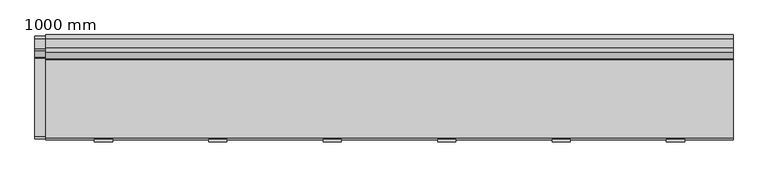
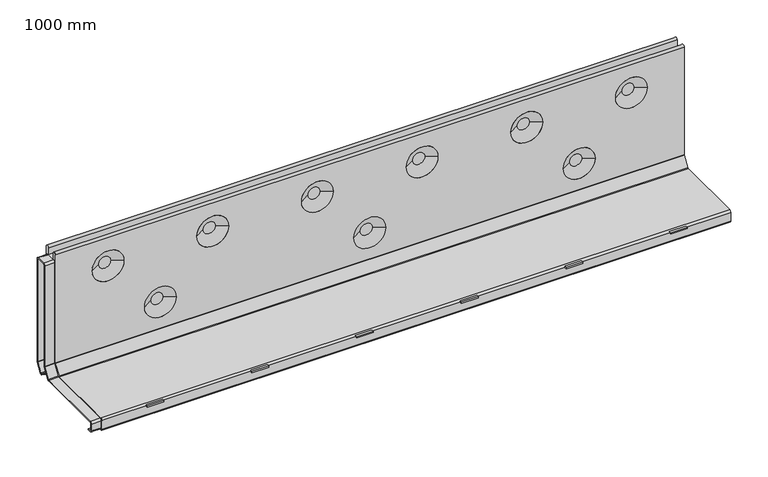
"""IFC4 building model written with IfcOpenShell, lengths in millimetres: proxy geometry, 1000 mm."""

import ifcopenshell
import ifcopenshell.guid

model = None  # the IFC model being written
_history = None  # IfcOwnerHistory: only IFC2X3 demands one
_inside = {}  # id of a spatial element -> (the spatial element, [elements in it])
_under = {}  # id of a project, library or spatial element -> (it, [spatial elements below it])
_declared = {}  # id of a project -> (the project, [libraries it declares])
_typed = {}  # id of a type object -> (the type object, [elements of that type])
_made_of = {}  # id of a material, layer set ... -> (it, [elements and type objects made of it])


def new_model(schema):
    """Start an empty IFC model of exactly this schema.

    Asked for "IFC4X3", IfcOpenShell would pick the latest addendum, in which some entities
    have other attributes; the version numbers below select the first issue.
    IFC2X3 requires an IfcOwnerHistory on every rooted entity: one is made here for all.
    """
    global model, _history
    if schema == "IFC4X3":
        model = ifcopenshell.file(schema_version=(4, 3, 0, 0))
    else:
        model = ifcopenshell.file(schema=schema)
    _inside.clear()
    _under.clear()
    _declared.clear()
    _typed.clear()
    _made_of.clear()
    _history = None
    if model.schema == "IFC2X3":
        org = make("IfcOrganization", Name="unknown")
        user = make(
            "IfcPersonAndOrganization",
            ThePerson=make("IfcPerson", FamilyName="unknown"),
            TheOrganization=org,
        )
        app = make(
            "IfcApplication",
            ApplicationDeveloper=org,
            Version="unknown",
            ApplicationFullName="unknown",
            ApplicationIdentifier="unknown",
        )
        _history = make(
            "IfcOwnerHistory",
            OwningUser=user,
            OwningApplication=app,
            ChangeAction="ADDED",
            CreationDate=0,
        )
    return model


def make(cls, **values):
    """One entity of the class cls with the attributes given. An attribute that is None is left unset."""
    return model.create_entity(
        cls, **{name: value for name, value in values.items() if value is not None}
    )


def rooted(cls, **values):
    """An entity with a GlobalId (a new one), such as an element, a storey or a relation."""
    return make(cls, GlobalId=ifcopenshell.guid.new(), OwnerHistory=_history, **values)


def si_unit(unit_type, name, prefix=None):
    """IfcSIUnit, for example si_unit("LENGTHUNIT", "METRE", prefix="MILLI")."""
    return make("IfcSIUnit", UnitType=unit_type, Prefix=prefix, Name=name)


def assignment(units):
    """IfcUnitAssignment: the units of a project."""
    return None if units is None else make("IfcUnitAssignment", Units=units)


def point(xyz):
    """IfcCartesianPoint."""
    return None if xyz is None else make("IfcCartesianPoint", Coordinates=xyz)


def direction(xyz):
    """IfcDirection."""
    return None if xyz is None else make("IfcDirection", DirectionRatios=xyz)


def frame(location, z_axis=None, x_axis=None):
    """IfcAxis2Placement3D, a coordinate frame: its origin and axes. An axis left out is left unset."""
    return make(
        "IfcAxis2Placement3D",
        Location=point(location),
        Axis=direction(z_axis),
        RefDirection=direction(x_axis),
    )


def frame_2d(location, x_axis=None):
    """IfcAxis2Placement2D, a coordinate frame in the plane: its origin and x axis."""
    return make(
        "IfcAxis2Placement2D", Location=point(location), RefDirection=direction(x_axis)
    )


def origin():
    """The frame at (0, 0, 0) with its axes left unset."""
    return frame((0.0, 0.0, 0.0))


def place(relative_to, where):
    """IfcLocalPlacement: puts the frame where relative to a parent placement (None: the world)."""
    return make(
        "IfcLocalPlacement", PlacementRelTo=relative_to, RelativePlacement=where
    )


def context(
    kind, dimensions, precision=None, world=None, true_north=None, identifier=None
):
    """IfcGeometricRepresentationContext, for example the 3D "Model" context."""
    return make(
        "IfcGeometricRepresentationContext",
        ContextIdentifier=identifier,
        ContextType=kind,
        CoordinateSpaceDimension=dimensions,
        Precision=precision,
        WorldCoordinateSystem=world,
        TrueNorth=true_north,
    )


def project(units=None, contexts=None):
    """IfcProject with its units and contexts."""
    return rooted(
        "IfcProject",
        Name="project",
        RepresentationContexts=contexts,
        UnitsInContext=assignment(units),
    )


def spatial(cls, under=None, at=None, **own):
    """A site, building, storey or space (cls), placed at a placement, below another one or the project."""
    s = rooted(cls, ObjectPlacement=at, **own)
    if under is not None:
        _under.setdefault(under.id(), (under, []))[1].append(s)
    return s


def polyline(points):
    """IfcPolyline through the points."""
    return make("IfcPolyline", Points=[point(p) for p in points])


def circle_curve(where, radius):
    """IfcCircle in the frame where."""
    return make("IfcCircle", Position=where, Radius=radius)


def trimmed(basis, trim1, trim2, sense, master):
    """IfcTrimmedCurve: the piece of a basis curve between two trims."""
    return make(
        "IfcTrimmedCurve",
        BasisCurve=basis,
        Trim1=trim1,
        Trim2=trim2,
        SenseAgreement=sense,
        MasterRepresentation=master,
    )


def segment(curve, same_sense, transition):
    """IfcCompositeCurveSegment."""
    return make(
        "IfcCompositeCurveSegment",
        Transition=transition,
        SameSense=same_sense,
        ParentCurve=curve,
    )


def composite_curve(segments, self_intersect=None):
    """IfcCompositeCurve: segments joined end to end."""
    return make("IfcCompositeCurve", Segments=segments, SelfIntersect=self_intersect)


def outline(outer, holes=None, kind="AREA"):
    """IfcArbitraryClosedProfileDef: a profile drawn as a closed curve; with holes, ...WithVoids."""
    if holes is None:
        return make("IfcArbitraryClosedProfileDef", ProfileType=kind, OuterCurve=outer)
    return make(
        "IfcArbitraryProfileDefWithVoids",
        ProfileType=kind,
        OuterCurve=outer,
        InnerCurves=holes,
    )


def extrude(swept, where, along, depth):
    """IfcExtrudedAreaSolid: the profile swept, set in the frame where, extruded along a direction by depth."""
    return make(
        "IfcExtrudedAreaSolid",
        SweptArea=swept,
        Position=where,
        ExtrudedDirection=direction(along),
        Depth=depth,
    )


def shape(context_of_items, identifier, shape_type, items):
    """IfcShapeRepresentation: the items that make up one representation, for example the "Body"."""
    return make(
        "IfcShapeRepresentation",
        ContextOfItems=context_of_items,
        RepresentationIdentifier=identifier,
        RepresentationType=shape_type,
        Items=items,
    )


def source(mapping_origin, context_of_items, identifier, shape_type, items):
    """IfcRepresentationMap: a shape defined once, which mapped items show again and again."""
    return make(
        "IfcRepresentationMap",
        MappingOrigin=mapping_origin,
        MappedRepresentation=shape(context_of_items, identifier, shape_type, items),
    )


def transform(
    local_origin,
    x_axis=None,
    y_axis=None,
    z_axis=None,
    scale=None,
    scale2=None,
    scale3=None,
    uniform=True,
):
    """IfcCartesianTransformationOperator3D, or its non-uniform kind. x_axis, y_axis, z_axis: its Axis1, 2, 3."""
    if uniform:
        return make(
            "IfcCartesianTransformationOperator3D",
            Axis1=direction(x_axis),
            Axis2=direction(y_axis),
            LocalOrigin=point(local_origin),
            Scale=scale,
            Axis3=direction(z_axis),
        )
    return make(
        "IfcCartesianTransformationOperator3DnonUniform",
        Axis1=direction(x_axis),
        Axis2=direction(y_axis),
        LocalOrigin=point(local_origin),
        Scale=scale,
        Axis3=direction(z_axis),
        Scale2=scale2,
        Scale3=scale3,
    )


def mapped(mapping_source, mapping_target):
    """IfcMappedItem: shows the shape of a source again, moved by a transform."""
    return make(
        "IfcMappedItem", MappingSource=mapping_source, MappingTarget=mapping_target
    )


def made_of(thing, what):
    """Note that an element or type object is made of a material, layer set ...; save() writes the relation."""
    if what is not None:
        _made_of.setdefault(what.id(), (what, []))[1].append(thing)
    return thing


def element(
    cls,
    number,
    at=None,
    inside=None,
    cuts=None,
    type_object=None,
    material=None,
    context=None,
    identifier="Body",
    shape_type=None,
    held_by="IfcProductDefinitionShape",
    body=None,
    shapes=None,
    **own,
):
    """One element of the class cls, such as IfcWall. Its Tag is "e" and its number.

    at: its placement. inside: the storey or other place that contains it. cuts: it is an
    opening in that element (IfcRelVoidsElement). A single representation is given by context,
    identifier, shape_type and body (its items); several are given by shapes. held_by: the class
    of the entity that holds the representations. save() writes the other relations.
    """
    e = rooted(cls, Tag="e%d" % number, ObjectPlacement=at, **own)
    if body is not None:
        shapes = [shape(context, identifier, shape_type, body)]
    if shapes is not None:
        e.Representation = make(held_by, Representations=shapes)
    if inside is not None:
        _inside.setdefault(inside.id(), (inside, []))[1].append(e)
    if cuts is not None:
        rooted(
            "IfcRelVoidsElement", RelatingBuildingElement=cuts, RelatedOpeningElement=e
        )
    if type_object is not None:
        _typed.setdefault(type_object.id(), (type_object, []))[1].append(e)
    return made_of(e, material)


def aggregate(whole, parts):
    """IfcRelAggregates: a whole, such as a stair, and the parts it consists of."""
    return rooted("IfcRelAggregates", RelatingObject=whole, RelatedObjects=parts)


def save(model, path):
    """Write the relations noted so far, then the file.

    IfcRelAggregates (storeys below a building ...), IfcRelContainedInSpatialStructure (elements
    in a storey), IfcRelDefinesByType, IfcRelAssociatesMaterial and IfcRelDeclares: one each for
    every whole, place, type object, material and project.
    """
    for whole, parts in _under.values():
        aggregate(whole, parts)
    for where, things in _inside.values():
        rooted(
            "IfcRelContainedInSpatialStructure",
            RelatedElements=things,
            RelatingStructure=where,
        )
    for kind, things in _typed.values():
        rooted("IfcRelDefinesByType", RelatedObjects=things, RelatingType=kind)
    for what, things in _made_of.values():
        rooted("IfcRelAssociatesMaterial", RelatedObjects=things, RelatingMaterial=what)
    for by, libraries in _declared.values():
        rooted("IfcRelDeclares", RelatingContext=by, RelatedDefinitions=libraries)
    model.write(path)


def plane_surface(at):
    """IfcPlane: the flat surface through the origin of the frame at, square to its z axis."""
    return make("IfcPlane", Position=at)


def cylinder_surface(at, radius):
    """IfcCylindricalSurface: all points at the distance radius from the z axis of the frame at."""
    return make("IfcCylindricalSurface", Position=at, Radius=radius)


def revolved_surface(curve, axis_point, axis_direction):
    """IfcSurfaceOfRevolution: the curve turned about the line through axis_point along axis_direction."""
    return make(
        "IfcSurfaceOfRevolution",
        SweptCurve=make("IfcArbitraryOpenProfileDef", ProfileType="CURVE", Curve=curve),
        AxisPosition=make("IfcAxis1Placement", Location=point(axis_point), Axis=direction(axis_direction)),
    )


def advanced_brep(points, edges, surfaces, faces):
    """IfcAdvancedBrep: a solid bounded by faces that lie on surfaces and meet in shared edges.

    An edge is (start, end): straight between two places in points (the first is 0);
    or (start, end, curve); or (start, end, curve, False) where it runs against its curve.
    A face is (place in surfaces, loops), or (place, loops, False) where it looks against
    its surface's normal. A loop lists edges by number (the first is 1), with a minus sign
    where the edge is run from its end to its start. The first loop is the outer one.
    """
    corners = [point(p) for p in points]
    vertices = [make("IfcVertexPoint", VertexGeometry=c) for c in corners]
    made = []
    for start, end, *more in edges:
        made.append(
            make(
                "IfcEdgeCurve",
                EdgeStart=vertices[start],
                EdgeEnd=vertices[end],
                EdgeGeometry=more[0] if more else make("IfcPolyline", Points=[corners[start], corners[end]]),
                SameSense=more[1] if len(more) > 1 else True,
            )
        )
    hull = []
    for where, loops, *sense in faces:
        bounds = []
        for j, loop in enumerate(loops):
            ring = [make("IfcOrientedEdge", EdgeElement=made[abs(k) - 1], Orientation=k > 0) for k in loop]
            bounds.append(
                make(
                    "IfcFaceOuterBound" if j == 0 else "IfcFaceBound",
                    Bound=make("IfcEdgeLoop", EdgeList=ring),
                    Orientation=True,
                )
            )
        hull.append(make("IfcAdvancedFace", Bounds=bounds, FaceSurface=surfaces[where], SameSense=sense[0] if sense else True))
    return make("IfcAdvancedBrep", Outer=make("IfcClosedShell", CfsFaces=hull))


def proxy_1000_mm_fd89eb63(model_context):
    return source(origin(), model_context, "Body", "SolidModel", [
        extrude(outline(polyline([(734.75, -52.0), (732.75, -52.0), (732.75, 44.0), (734.75, 44.0), (734.75, -52.0)])), frame((0.0, 0.0, -29.1940506), z_axis=(0.0, 0.0, 1.0), x_axis=(1.0, 0.0, 0.0)), (0.0, 0.0, 1.0), 10.1940506),
        extrude(outline(polyline([(766.75, -52.0), (764.75, -52.0), (764.75, 44.0), (766.75, 44.0), (766.75, -52.0)])), frame((0.0, 0.0, -29.1940506), z_axis=(0.0, 0.0, 1.0), x_axis=(1.0, 0.0, 0.0)), (0.0, 0.0, 1.0), 10.1940506),
        extrude(outline(polyline([(763.0, -78.0), (736.5, -78.0), (736.5, -70.5), (763.0, -70.5), (763.0, -78.0)])), frame((0.0, 0.0, -3.6940506), z_axis=(0.0, 0.0, 1.0), x_axis=(1.0, 0.0, 0.0)), (0.0, 0.0, 1.0), 2.1940506),
        extrude(outline(polyline([(568.25, -52.0), (566.25, -52.0), (566.25, 44.0), (568.25, 44.0), (568.25, -52.0)])), frame((0.0, 0.0, -29.1940506), z_axis=(0.0, 0.0, 1.0), x_axis=(1.0, 0.0, 0.0)), (0.0, 0.0, 1.0), 10.1940506),
        extrude(outline(polyline([(600.25, -52.0), (598.25, -52.0), (598.25, 44.0), (600.25, 44.0), (600.25, -52.0)])), frame((0.0, 0.0, -29.1940506), z_axis=(0.0, 0.0, 1.0), x_axis=(1.0, 0.0, 0.0)), (0.0, 0.0, 1.0), 10.1940506),
        extrude(outline(polyline([(596.5, -78.0), (570.0, -78.0), (570.0, -70.5), (596.5, -70.5), (596.5, -78.0)])), frame((0.0, 0.0, -3.6940506), z_axis=(0.0, 0.0, 1.0), x_axis=(1.0, 0.0, 0.0)), (0.0, 0.0, 1.0), 2.1940506),
        extrude(outline(polyline([(401.75, -52.0), (399.75, -52.0), (399.75, 44.0), (401.75, 44.0), (401.75, -52.0)])), frame((0.0, 0.0, -29.1940506), z_axis=(0.0, 0.0, 1.0), x_axis=(1.0, 0.0, 0.0)), (0.0, 0.0, 1.0), 10.1940506),
        extrude(outline(polyline([(433.75, -52.0), (431.75, -52.0), (431.75, 44.0), (433.75, 44.0), (433.75, -52.0)])), frame((0.0, 0.0, -29.1940506), z_axis=(0.0, 0.0, 1.0), x_axis=(1.0, 0.0, 0.0)), (0.0, 0.0, 1.0), 10.1940506),
        extrude(outline(polyline([(430.0, -78.0), (403.5, -78.0), (403.5, -70.5), (430.0, -70.5), (430.0, -78.0)])), frame((0.0, 0.0, -3.6940506), z_axis=(0.0, 0.0, 1.0), x_axis=(1.0, 0.0, 0.0)), (0.0, 0.0, 1.0), 2.1940506),
        extrude(outline(polyline([(235.25, -52.0), (233.25, -52.0), (233.25, 44.0), (235.25, 44.0), (235.25, -52.0)])), frame((0.0, 0.0, -29.1940506), z_axis=(0.0, 0.0, 1.0), x_axis=(1.0, 0.0, 0.0)), (0.0, 0.0, 1.0), 10.1940506),
        extrude(outline(polyline([(267.25, -52.0), (265.25, -52.0), (265.25, 44.0), (267.25, 44.0), (267.25, -52.0)])), frame((0.0, 0.0, -29.1940506), z_axis=(0.0, 0.0, 1.0), x_axis=(1.0, 0.0, 0.0)), (0.0, 0.0, 1.0), 10.1940506),
        extrude(outline(polyline([(263.5, -78.0), (237.0, -78.0), (237.0, -70.5), (263.5, -70.5), (263.5, -78.0)])), frame((0.0, 0.0, -3.6940506), z_axis=(0.0, 0.0, 1.0), x_axis=(1.0, 0.0, 0.0)), (0.0, 0.0, 1.0), 2.1940506),
        extrude(outline(polyline([(901.25, -52.0), (899.25, -52.0), (899.25, 44.0), (901.25, 44.0), (901.25, -52.0)])), frame((0.0, 0.0, -29.1940506), z_axis=(0.0, 0.0, 1.0), x_axis=(1.0, 0.0, 0.0)), (0.0, 0.0, 1.0), 10.1940506),
        extrude(outline(polyline([(933.25, -52.0), (931.25, -52.0), (931.25, 44.0), (933.25, 44.0), (933.25, -52.0)])), frame((0.0, 0.0, -29.1940506), z_axis=(0.0, 0.0, 1.0), x_axis=(1.0, 0.0, 0.0)), (0.0, 0.0, 1.0), 10.1940506),
        extrude(outline(polyline([(929.5, -78.0), (903.0, -78.0), (903.0, -70.5), (929.5, -70.5), (929.5, -78.0)])), frame((0.0, 0.0, -3.6940506), z_axis=(0.0, 0.0, 1.0), x_axis=(1.0, 0.0, 0.0)), (0.0, 0.0, 1.0), 2.1940506),
        extrude(outline(polyline([(68.75, -52.0), (66.75, -52.0), (66.75, 44.0), (68.75, 44.0), (68.75, -52.0)])), frame((0.0, 0.0, -29.1940506), z_axis=(0.0, 0.0, 1.0), x_axis=(1.0, 0.0, 0.0)), (0.0, 0.0, 1.0), 10.1940506),
        extrude(outline(polyline([(100.75, -52.0), (98.75, -52.0), (98.75, 44.0), (100.75, 44.0), (100.75, -52.0)])), frame((0.0, 0.0, -29.1940506), z_axis=(0.0, 0.0, 1.0), x_axis=(1.0, 0.0, 0.0)), (0.0, 0.0, 1.0), 10.1940506),
        extrude(outline(polyline([(97.0, -78.0), (70.5, -78.0), (70.5, -70.5), (97.0, -70.5), (97.0, -78.0)])), frame((0.0, 0.0, -3.6940506), z_axis=(0.0, 0.0, 1.0), x_axis=(1.0, 0.0, 0.0)), (0.0, 0.0, 1.0), 2.1940506),
        advanced_brep(
        [(0.0, -58.5, -20.5), (0.0, -72.0, -20.5), (0.0, -75.0, -17.5), (0.0, -75.0, -3.0), (0.0, -72.0, 0.0), (0.0, 41.8362991, 0.0), (0.0, 43.1013863, 0.6940506), (0.0, 52.8400872, 15.9807489), (0.0, 53.075, 16.7866983), (0.0, 53.075, 197.745), (0.0, 58.585, 197.745), (0.0, 58.585, 187.2976287), (0.0, 72.565, 187.2976287), (0.0, 72.565, 198.2430156), (0.0, 78.0, 198.2430156), (0.0, 78.0, 12.5524398), (0.0, 77.5301743, 10.940541), (0.0, 67.2913074, -5.1312607), (0.0, 67.0563946, -5.9372101), (0.0, 67.0563946, -17.5), (0.0, 64.0563946, -20.5), (0.0, 50.0563946, -20.5), (0.0, 50.0563946, -19.0), (0.0, -58.5, -19.0), (1000.0, -58.5, -20.5), (1000.0, -58.5, -19.0), (1000.0, 50.0563946, -19.0), (1000.0, 50.0563946, -20.5), (1000.0, 64.0563946, -20.5), (1000.0, 67.0563946, -17.5), (1000.0, 67.0563946, -5.9372101), (1000.0, 67.2913074, -5.1312607), (1000.0, 77.5301743, 10.940541), (1000.0, 78.0, 12.5524398), (1000.0, 78.0, 198.2430156), (1000.0, 72.565, 198.2430156), (1000.0, 72.565, 187.2976287), (1000.0, 58.585, 187.2976287), (1000.0, 58.585, 197.745), (1000.0, 53.075, 197.745), (1000.0, 53.075, 16.7866983), (1000.0, 52.8400872, 15.9807489), (1000.0, 43.1013863, 0.6940506), (1000.0, 41.8362991, 0.0), (1000.0, -72.0, 0.0), (1000.0, -75.0, -3.0), (1000.0, -75.0, -17.5), (1000.0, -72.0, -20.5), (58.4993164, 78.0, 150.4470549), (109.0006836, 78.0, 150.4470549), (890.9993164, 78.0, 150.4470549), (941.5006836, 78.0, 150.4470549), (224.9993164, 78.0, 150.4470549), (275.5006836, 78.0, 150.4470549), (391.4993164, 78.0, 150.4470549), (442.0006836, 78.0, 150.4470549), (557.9993164, 78.0, 150.4470549), (608.5006836, 78.0, 150.4470549), (724.4993164, 78.0, 150.4470549), (775.0006836, 78.0, 150.4470549), (141.7493164, 78.0, 60.4470549), (192.2506836, 78.0, 60.4470549), (474.7493164, 78.0, 60.4470549), (525.2506836, 78.0, 60.4470549), (858.2506836, 78.0, 60.4470549), (807.7493164, 78.0, 60.4470549), (109.0006836, 53.075, 150.4470549), (58.4993164, 53.075, 150.4470549), (941.5006836, 53.075, 150.4470549), (890.9993164, 53.075, 150.4470549), (275.5006836, 53.075, 150.4470549), (224.9993164, 53.075, 150.4470549), (442.0006836, 53.075, 150.4470549), (391.4993164, 53.075, 150.4470549), (608.5006836, 53.075, 150.4470549), (557.9993164, 53.075, 150.4470549), (775.0006836, 53.075, 150.4470549), (724.4993164, 53.075, 150.4470549), (192.2506836, 53.075, 60.4470549), (141.7493164, 53.075, 60.4470549), (525.2506836, 53.075, 60.4470549), (474.7493164, 53.075, 60.4470549), (807.7493164, 53.075, 60.4470549), (858.2506836, 53.075, 60.4470549), (74.1699511, 62.6922432, 150.4470549), (93.3300489, 62.6922432, 150.4470549), (906.6699511, 62.6922432, 150.4470549), (925.8300489, 62.6922432, 150.4470549), (240.6699511, 62.6922432, 150.4470549), (259.8300489, 62.6922432, 150.4470549), (407.1699511, 62.6922432, 150.4470549), (426.3300489, 62.6922432, 150.4470549), (573.6699511, 62.6922432, 150.4470549), (592.8300489, 62.6922432, 150.4470549), (740.1699511, 62.6922432, 150.4470549), (759.3300489, 62.6922432, 150.4470549), (74.1699511, 68.3827568, 150.4470549), (93.3300489, 68.3827568, 150.4470549), (906.6699511, 68.3827568, 150.4470549), (925.8300489, 68.3827568, 150.4470549), (240.6699511, 68.3827568, 150.4470549), (259.8300489, 68.3827568, 150.4470549), (407.1699511, 68.3827568, 150.4470549), (426.3300489, 68.3827568, 150.4470549), (573.6699511, 68.3827568, 150.4470549), (592.8300489, 68.3827568, 150.4470549), (740.1699511, 68.3827568, 150.4470549), (759.3300489, 68.3827568, 150.4470549), (157.4199511, 62.6922432, 60.4470549), (176.5800489, 62.6922432, 60.4470549), (157.4199511, 68.3827568, 60.4470549), (176.5800489, 68.3827568, 60.4470549), (490.4199511, 62.6922432, 60.4470549), (509.5800489, 62.6922432, 60.4470549), (490.4199511, 68.3827568, 60.4470549), (509.5800489, 68.3827568, 60.4470549), (823.4199511, 62.6922432, 60.4470549), (842.5800489, 62.6922432, 60.4470549), (823.4199511, 68.3827568, 60.4470549), (842.5800489, 68.3827568, 60.4470549)],
        [
            (0, 1),
            (1, 2, circle_curve(frame((0.0, -72.0, -17.5), z_axis=(-1.0, 0.0, 0.0), x_axis=(0.0, 1.0, 0.0)), 3.0)),
            (2, 3),
            (3, 4, circle_curve(frame((0.0, -72.0, -3.0), z_axis=(-1.0, 0.0, 0.0), x_axis=(0.0, 1.0, 0.0)), 3.0)),
            (4, 5),
            (5, 6, circle_curve(frame((0.0, 41.8362991, 1.5), z_axis=(1.0, 0.0, 0.0), x_axis=(0.0, 1.0, 0.0)), 1.5)),
            (6, 7),
            (7, 8, circle_curve(frame((0.0, 51.575, 16.7866983), z_axis=(1.0, 0.0, 0.0), x_axis=(0.0, 1.0, 0.0)), 1.5)),
            (8, 9),
            (9, 10, circle_curve(frame((0.0, 55.83, 197.745), z_axis=(-1.0, 0.0, 0.0), x_axis=(0.0, 1.0, 0.0)), 2.755)),
            (10, 11),
            (11, 12),
            (12, 13),
            (13, 14, circle_curve(frame((0.0, 75.2825, 198.2430156), z_axis=(-1.0, 0.0, 0.0), x_axis=(0.0, 1.0, 0.0)), 2.7175)),
            (14, 15),
            (15, 16, circle_curve(frame((0.0, 75.0, 12.5524398), z_axis=(-1.0, 0.0, 0.0), x_axis=(0.0, 1.0, 0.0)), 3.0)),
            (16, 17),
            (17, 18, circle_curve(frame((0.0, 68.5563946, -5.9372101), z_axis=(1.0, 0.0, 0.0), x_axis=(0.0, 1.0, 0.0)), 1.5)),
            (18, 19),
            (19, 20, circle_curve(frame((0.0, 64.0563946, -17.5), z_axis=(-1.0, 0.0, 0.0), x_axis=(0.0, 1.0, 0.0)), 3.0)),
            (20, 21),
            (21, 22),
            (22, 23),
            (23, 0),
            (24, 25),
            (25, 26),
            (26, 27),
            (27, 28),
            (28, 29, circle_curve(frame((1000.0, 64.0563946, -17.5), z_axis=(1.0, 0.0, 0.0), x_axis=(0.0, 1.0, 0.0)), 3.0)),
            (29, 30),
            (30, 31, circle_curve(frame((1000.0, 68.5563946, -5.9372101), z_axis=(-1.0, 0.0, 0.0), x_axis=(0.0, 1.0, 0.0)), 1.5)),
            (31, 32),
            (32, 33, circle_curve(frame((1000.0, 75.0, 12.5524398), z_axis=(1.0, 0.0, 0.0), x_axis=(0.0, 1.0, 0.0)), 3.0)),
            (33, 34),
            (34, 35, circle_curve(frame((1000.0, 75.2825, 198.2430156), z_axis=(1.0, 0.0, 0.0), x_axis=(0.0, 1.0, 0.0)), 2.7175)),
            (35, 36),
            (36, 37),
            (37, 38),
            (38, 39, circle_curve(frame((1000.0, 55.83, 197.745), z_axis=(1.0, 0.0, 0.0), x_axis=(0.0, 1.0, 0.0)), 2.755)),
            (39, 40),
            (40, 41, circle_curve(frame((1000.0, 51.575, 16.7866983), z_axis=(-1.0, 0.0, 0.0), x_axis=(0.0, 1.0, 0.0)), 1.5)),
            (41, 42),
            (42, 43, circle_curve(frame((1000.0, 41.8362991, 1.5), z_axis=(-1.0, 0.0, 0.0), x_axis=(0.0, 1.0, 0.0)), 1.5)),
            (43, 44),
            (44, 45, circle_curve(frame((1000.0, -72.0, -3.0), z_axis=(1.0, 0.0, 0.0), x_axis=(0.0, 1.0, 0.0)), 3.0)),
            (45, 46),
            (46, 47, circle_curve(frame((1000.0, -72.0, -17.5), z_axis=(1.0, 0.0, 0.0), x_axis=(0.0, 1.0, 0.0)), 3.0)),
            (47, 24),
            (21, 27),
            (26, 22),
            (20, 28),
            (19, 29),
            (18, 30),
            (17, 31),
            (16, 32),
            (15, 33),
            (14, 34),
            (48, 49, circle_curve(frame((83.75, 78.0, 150.4470549), z_axis=(0.0, -1.0, 0.0), x_axis=(1.0, 0.0, 0.0)), 25.2506836)),
            (49, 48, circle_curve(frame((83.75, 78.0, 150.4470549), z_axis=(0.0, -1.0, 0.0), x_axis=(-1.0, 0.0, 0.0)), 25.2506836)),
            (50, 51, circle_curve(frame((916.25, 78.0, 150.4470549), z_axis=(0.0, -1.0, 0.0), x_axis=(1.0, 0.0, 0.0)), 25.2506836)),
            (51, 50, circle_curve(frame((916.25, 78.0, 150.4470549), z_axis=(0.0, -1.0, 0.0), x_axis=(-1.0, 0.0, 0.0)), 25.2506836)),
            (52, 53, circle_curve(frame((250.25, 78.0, 150.4470549), z_axis=(0.0, -1.0, 0.0), x_axis=(1.0, 0.0, 0.0)), 25.2506836)),
            (53, 52, circle_curve(frame((250.25, 78.0, 150.4470549), z_axis=(0.0, -1.0, 0.0), x_axis=(-1.0, 0.0, 0.0)), 25.2506836)),
            (54, 55, circle_curve(frame((416.75, 78.0, 150.4470549), z_axis=(0.0, -1.0, 0.0), x_axis=(1.0, 0.0, 0.0)), 25.2506836)),
            (55, 54, circle_curve(frame((416.75, 78.0, 150.4470549), z_axis=(0.0, -1.0, 0.0), x_axis=(-1.0, 0.0, 0.0)), 25.2506836)),
            (56, 57, circle_curve(frame((583.25, 78.0, 150.4470549), z_axis=(0.0, -1.0, 0.0), x_axis=(1.0, 0.0, 0.0)), 25.2506836)),
            (57, 56, circle_curve(frame((583.25, 78.0, 150.4470549), z_axis=(0.0, -1.0, 0.0), x_axis=(-1.0, 0.0, 0.0)), 25.2506836)),
            (58, 59, circle_curve(frame((749.75, 78.0, 150.4470549), z_axis=(0.0, -1.0, 0.0), x_axis=(1.0, 0.0, 0.0)), 25.2506836)),
            (59, 58, circle_curve(frame((749.75, 78.0, 150.4470549), z_axis=(0.0, -1.0, 0.0), x_axis=(-1.0, 0.0, 0.0)), 25.2506836)),
            (60, 61, circle_curve(frame((167.0, 78.0, 60.4470549), z_axis=(0.0, -1.0, 0.0), x_axis=(1.0, 0.0, 0.0)), 25.2506836)),
            (61, 60, circle_curve(frame((167.0, 78.0, 60.4470549), z_axis=(0.0, -1.0, 0.0), x_axis=(-1.0, 0.0, 0.0)), 25.2506836)),
            (62, 63, circle_curve(frame((500.0, 78.0, 60.4470549), z_axis=(0.0, -1.0, 0.0), x_axis=(1.0, 0.0, 0.0)), 25.2506836)),
            (63, 62, circle_curve(frame((500.0, 78.0, 60.4470549), z_axis=(0.0, -1.0, 0.0), x_axis=(-1.0, 0.0, 0.0)), 25.2506836)),
            (64, 65, circle_curve(frame((833.0, 78.0, 60.4470549), z_axis=(0.0, -1.0, 0.0), x_axis=(-1.0, 0.0, 0.0)), 25.2506836)),
            (65, 64, circle_curve(frame((833.0, 78.0, 60.4470549), z_axis=(0.0, -1.0, 0.0), x_axis=(1.0, 0.0, 0.0)), 25.2506836)),
            (13, 35),
            (12, 36),
            (11, 37),
            (8, 40),
            (39, 9),
            (66, 67, circle_curve(frame((83.75, 53.075, 150.4470549), z_axis=(0.0, 1.0, 0.0), x_axis=(-1.0, 0.0, 0.0)), 25.2506836)),
            (67, 66, circle_curve(frame((83.75, 53.075, 150.4470549), z_axis=(0.0, 1.0, 0.0), x_axis=(1.0, 0.0, 0.0)), 25.2506836)),
            (68, 69, circle_curve(frame((916.25, 53.075, 150.4470549), z_axis=(0.0, 1.0, 0.0), x_axis=(-1.0, 0.0, 0.0)), 25.2506836)),
            (69, 68, circle_curve(frame((916.25, 53.075, 150.4470549), z_axis=(0.0, 1.0, 0.0), x_axis=(1.0, 0.0, 0.0)), 25.2506836)),
            (70, 71, circle_curve(frame((250.25, 53.075, 150.4470549), z_axis=(0.0, 1.0, 0.0), x_axis=(-1.0, 0.0, 0.0)), 25.2506836)),
            (71, 70, circle_curve(frame((250.25, 53.075, 150.4470549), z_axis=(0.0, 1.0, 0.0), x_axis=(1.0, 0.0, 0.0)), 25.2506836)),
            (72, 73, circle_curve(frame((416.75, 53.075, 150.4470549), z_axis=(0.0, 1.0, 0.0), x_axis=(-1.0, 0.0, 0.0)), 25.2506836)),
            (73, 72, circle_curve(frame((416.75, 53.075, 150.4470549), z_axis=(0.0, 1.0, 0.0), x_axis=(1.0, 0.0, 0.0)), 25.2506836)),
            (74, 75, circle_curve(frame((583.25, 53.075, 150.4470549), z_axis=(0.0, 1.0, 0.0), x_axis=(-1.0, 0.0, 0.0)), 25.2506836)),
            (75, 74, circle_curve(frame((583.25, 53.075, 150.4470549), z_axis=(0.0, 1.0, 0.0), x_axis=(1.0, 0.0, 0.0)), 25.2506836)),
            (76, 77, circle_curve(frame((749.75, 53.075, 150.4470549), z_axis=(0.0, 1.0, 0.0), x_axis=(-1.0, 0.0, 0.0)), 25.2506836)),
            (77, 76, circle_curve(frame((749.75, 53.075, 150.4470549), z_axis=(0.0, 1.0, 0.0), x_axis=(1.0, 0.0, 0.0)), 25.2506836)),
            (78, 79, circle_curve(frame((167.0, 53.075, 60.4470549), z_axis=(0.0, 1.0, 0.0), x_axis=(-1.0, 0.0, 0.0)), 25.2506836)),
            (79, 78, circle_curve(frame((167.0, 53.075, 60.4470549), z_axis=(0.0, 1.0, 0.0), x_axis=(1.0, 0.0, 0.0)), 25.2506836)),
            (80, 81, circle_curve(frame((500.0, 53.075, 60.4470549), z_axis=(0.0, 1.0, 0.0), x_axis=(-1.0, 0.0, 0.0)), 25.2506836)),
            (81, 80, circle_curve(frame((500.0, 53.075, 60.4470549), z_axis=(0.0, 1.0, 0.0), x_axis=(1.0, 0.0, 0.0)), 25.2506836)),
            (82, 83, circle_curve(frame((833.0, 53.075, 60.4470549), z_axis=(0.0, 1.0, 0.0), x_axis=(1.0, 0.0, 0.0)), 25.2506836)),
            (83, 82, circle_curve(frame((833.0, 53.075, 60.4470549), z_axis=(0.0, 1.0, 0.0), x_axis=(-1.0, 0.0, 0.0)), 25.2506836)),
            (7, 41),
            (6, 42),
            (5, 43),
            (4, 44),
            (3, 45),
            (2, 46),
            (1, 47),
            (0, 24),
            (23, 25),
            (84, 85, circle_curve(frame((83.75, 62.6922432, 150.4470549), z_axis=(0.0, -1.0, 0.0), x_axis=(-1.0, 0.0, 0.0)), 9.5800489)),
            (85, 84, circle_curve(frame((83.75, 62.6922432, 150.4470549), z_axis=(0.0, -1.0, 0.0), x_axis=(1.0, 0.0, 0.0)), 9.5800489)),
            (84, 67),
            (66, 85),
            (86, 87, circle_curve(frame((916.25, 62.6922432, 150.4470549), z_axis=(0.0, -1.0, 0.0), x_axis=(-1.0, 0.0, 0.0)), 9.5800489)),
            (87, 86, circle_curve(frame((916.25, 62.6922432, 150.4470549), z_axis=(0.0, -1.0, 0.0), x_axis=(1.0, 0.0, 0.0)), 9.5800489)),
            (86, 69),
            (68, 87),
            (88, 89, circle_curve(frame((250.25, 62.6922432, 150.4470549), z_axis=(0.0, -1.0, 0.0), x_axis=(-1.0, 0.0, 0.0)), 9.5800489)),
            (89, 88, circle_curve(frame((250.25, 62.6922432, 150.4470549), z_axis=(0.0, -1.0, 0.0), x_axis=(1.0, 0.0, 0.0)), 9.5800489)),
            (88, 71),
            (70, 89),
            (90, 91, circle_curve(frame((416.75, 62.6922432, 150.4470549), z_axis=(0.0, -1.0, 0.0), x_axis=(-1.0, 0.0, 0.0)), 9.5800489)),
            (91, 90, circle_curve(frame((416.75, 62.6922432, 150.4470549), z_axis=(0.0, -1.0, 0.0), x_axis=(1.0, 0.0, 0.0)), 9.5800489)),
            (90, 73),
            (72, 91),
            (92, 93, circle_curve(frame((583.25, 62.6922432, 150.4470549), z_axis=(0.0, -1.0, 0.0), x_axis=(-1.0, 0.0, 0.0)), 9.5800489)),
            (93, 92, circle_curve(frame((583.25, 62.6922432, 150.4470549), z_axis=(0.0, -1.0, 0.0), x_axis=(1.0, 0.0, 0.0)), 9.5800489)),
            (92, 75),
            (74, 93),
            (94, 95, circle_curve(frame((749.75, 62.6922432, 150.4470549), z_axis=(0.0, -1.0, 0.0), x_axis=(-1.0, 0.0, 0.0)), 9.5800489)),
            (95, 94, circle_curve(frame((749.75, 62.6922432, 150.4470549), z_axis=(0.0, -1.0, 0.0), x_axis=(1.0, 0.0, 0.0)), 9.5800489)),
            (94, 77),
            (76, 95),
            (96, 97, circle_curve(frame((83.75, 68.3827568, 150.4470549), z_axis=(0.0, 1.0, 0.0), x_axis=(-1.0, 0.0, 0.0)), 9.5800489)),
            (97, 96, circle_curve(frame((83.75, 68.3827568, 150.4470549), z_axis=(0.0, 1.0, 0.0), x_axis=(1.0, 0.0, 0.0)), 9.5800489)),
            (97, 49),
            (48, 96),
            (98, 99, circle_curve(frame((916.25, 68.3827568, 150.4470549), z_axis=(0.0, 1.0, 0.0), x_axis=(-1.0, 0.0, 0.0)), 9.5800489)),
            (99, 98, circle_curve(frame((916.25, 68.3827568, 150.4470549), z_axis=(0.0, 1.0, 0.0), x_axis=(1.0, 0.0, 0.0)), 9.5800489)),
            (99, 51),
            (50, 98),
            (100, 101, circle_curve(frame((250.25, 68.3827568, 150.4470549), z_axis=(0.0, 1.0, 0.0), x_axis=(-1.0, 0.0, 0.0)), 9.5800489)),
            (101, 100, circle_curve(frame((250.25, 68.3827568, 150.4470549), z_axis=(0.0, 1.0, 0.0), x_axis=(1.0, 0.0, 0.0)), 9.5800489)),
            (101, 53),
            (52, 100),
            (102, 103, circle_curve(frame((416.75, 68.3827568, 150.4470549), z_axis=(0.0, 1.0, 0.0), x_axis=(-1.0, 0.0, 0.0)), 9.5800489)),
            (103, 102, circle_curve(frame((416.75, 68.3827568, 150.4470549), z_axis=(0.0, 1.0, 0.0), x_axis=(1.0, 0.0, 0.0)), 9.5800489)),
            (103, 55),
            (54, 102),
            (104, 105, circle_curve(frame((583.25, 68.3827568, 150.4470549), z_axis=(0.0, 1.0, 0.0), x_axis=(-1.0, 0.0, 0.0)), 9.5800489)),
            (105, 104, circle_curve(frame((583.25, 68.3827568, 150.4470549), z_axis=(0.0, 1.0, 0.0), x_axis=(1.0, 0.0, 0.0)), 9.5800489)),
            (105, 57),
            (56, 104),
            (106, 107, circle_curve(frame((749.75, 68.3827568, 150.4470549), z_axis=(0.0, 1.0, 0.0), x_axis=(-1.0, 0.0, 0.0)), 9.5800489)),
            (107, 106, circle_curve(frame((749.75, 68.3827568, 150.4470549), z_axis=(0.0, 1.0, 0.0), x_axis=(1.0, 0.0, 0.0)), 9.5800489)),
            (107, 59),
            (58, 106),
            (10, 38),
            (108, 109, circle_curve(frame((167.0, 62.6922432, 60.4470549), z_axis=(0.0, -1.0, 0.0), x_axis=(-1.0, 0.0, 0.0)), 9.5800489)),
            (109, 108, circle_curve(frame((167.0, 62.6922432, 60.4470549), z_axis=(0.0, -1.0, 0.0), x_axis=(1.0, 0.0, 0.0)), 9.5800489)),
            (108, 79),
            (78, 109),
            (110, 111, circle_curve(frame((167.0, 68.3827568, 60.4470549), z_axis=(0.0, 1.0, 0.0), x_axis=(-1.0, 0.0, 0.0)), 9.5800489)),
            (111, 110, circle_curve(frame((167.0, 68.3827568, 60.4470549), z_axis=(0.0, 1.0, 0.0), x_axis=(1.0, 0.0, 0.0)), 9.5800489)),
            (111, 61),
            (60, 110),
            (112, 113, circle_curve(frame((500.0, 62.6922432, 60.4470549), z_axis=(0.0, -1.0, 0.0), x_axis=(-1.0, 0.0, 0.0)), 9.5800489)),
            (113, 112, circle_curve(frame((500.0, 62.6922432, 60.4470549), z_axis=(0.0, -1.0, 0.0), x_axis=(1.0, 0.0, 0.0)), 9.5800489)),
            (112, 81),
            (80, 113),
            (114, 115, circle_curve(frame((500.0, 68.3827568, 60.4470549), z_axis=(0.0, 1.0, 0.0), x_axis=(-1.0, 0.0, 0.0)), 9.5800489)),
            (115, 114, circle_curve(frame((500.0, 68.3827568, 60.4470549), z_axis=(0.0, 1.0, 0.0), x_axis=(1.0, 0.0, 0.0)), 9.5800489)),
            (115, 63),
            (62, 114),
            (116, 117, circle_curve(frame((833.0, 62.6922432, 60.4470549), z_axis=(0.0, -1.0, 0.0), x_axis=(-1.0, 0.0, 0.0)), 9.5800489)),
            (117, 116, circle_curve(frame((833.0, 62.6922432, 60.4470549), z_axis=(0.0, -1.0, 0.0), x_axis=(1.0, 0.0, 0.0)), 9.5800489)),
            (117, 83),
            (82, 116),
            (118, 119, circle_curve(frame((833.0, 68.3827568, 60.4470549), z_axis=(0.0, 1.0, 0.0), x_axis=(-1.0, 0.0, 0.0)), 9.5800489)),
            (119, 118, circle_curve(frame((833.0, 68.3827568, 60.4470549), z_axis=(0.0, 1.0, 0.0), x_axis=(1.0, 0.0, 0.0)), 9.5800489)),
            (118, 65),
            (64, 119),
        ],
        [
            plane_surface(frame((0.0, -58.5, -20.5), z_axis=(-1.0, 0.0, 0.0), x_axis=(0.0, 0.0, -1.0))),
            plane_surface(frame((1000.0, -58.5, -20.5), z_axis=(1.0, 0.0, 0.0), x_axis=(0.0, 0.0, 1.0))),
            plane_surface(frame((1000.0, 50.0563946, -19.0), z_axis=(0.0, -1.0, 0.0), x_axis=(-1.0, 0.0, 0.0))),
            plane_surface(frame((1000.0, 50.0563946, -20.5), z_axis=(0.0, 0.0, -1.0), x_axis=(-1.0, 0.0, 0.0))),
            cylinder_surface(frame((0.0, 64.0563946, -17.5), z_axis=(1.0, 0.0, 0.0), x_axis=(0.0, 1.0, 0.0)), 3.0),
            plane_surface(frame((1000.0, 67.0563946, -17.5), z_axis=(0.0, 1.0, 0.0), x_axis=(-1.0, 0.0, 0.0))),
            revolved_surface(polyline([(0.0, 70.0563946, -5.9372101), (1000.0, 70.0563946, -5.9372101)]), (0.0, 68.5563946, -5.9372101), (-1.0, 0.0, 0.0)),
            plane_surface(frame((1000.0, 67.2913074, -5.1312607), z_axis=(0.0, 0.8433914458128803, -0.5372996083468324), x_axis=(-1.0, 0.0, 0.0))),
            cylinder_surface(frame((0.0, 75.0, 12.5524398), z_axis=(1.0, 0.0, 0.0), x_axis=(0.0, 1.0, 0.0)), 3.0),
            plane_surface(frame((1000.0, 78.0, 12.5524398), z_axis=(0.0, 1.0, 0.0), x_axis=(-1.0, 0.0, 0.0))),
            cylinder_surface(frame((0.0, 75.2825, 198.2430156), z_axis=(1.0, 0.0, 0.0), x_axis=(0.0, 1.0, 0.0)), 2.7175),
            plane_surface(frame((1000.0, 72.565, 198.2430156), z_axis=(0.0, -1.0, 0.0), x_axis=(-1.0, 0.0, 0.0))),
            plane_surface(frame((1000.0, 72.565, 187.2976287), z_axis=(0.0, 0.0, 1.0), x_axis=(-1.0, 0.0, 0.0))),
            plane_surface(frame((1000.0, 53.075, 197.745), z_axis=(0.0, -1.0, 0.0), x_axis=(-1.0, 0.0, 0.0))),
            revolved_surface(polyline([(0.0, 53.075, 16.7866983), (1000.0, 53.075, 16.7866983)]), (0.0, 51.575, 16.7866983), (-1.0, 0.0, 0.0)),
            plane_surface(frame((1000.0, 52.8400872, 15.9807489), z_axis=(0.0, -0.8433914458128855, 0.5372996083468241), x_axis=(-1.0, 0.0, 0.0))),
            revolved_surface(polyline([(0.0, 43.3362991, 1.5), (1000.0, 43.3362991, 1.5)]), (0.0, 41.8362991, 1.5), (-1.0, 0.0, 0.0)),
            plane_surface(frame((1000.0, 41.8362991, 0.0), z_axis=(0.0, 0.0, 1.0), x_axis=(-1.0, 0.0, 0.0))),
            cylinder_surface(frame((0.0, -72.0, -3.0), z_axis=(1.0, 0.0, 0.0), x_axis=(0.0, 1.0, 0.0)), 3.0),
            plane_surface(frame((1000.0, -75.0, -3.0), z_axis=(0.0, -1.0, 0.0), x_axis=(-1.0, 0.0, 0.0))),
            cylinder_surface(frame((0.0, -72.0, -17.5), z_axis=(1.0, 0.0, 0.0), x_axis=(0.0, 1.0, 0.0)), 3.0),
            plane_surface(frame((1000.0, -72.0, -20.5), z_axis=(0.0, 0.0, -1.0), x_axis=(-1.0, 0.0, 0.0))),
            plane_surface(frame((1000.0, -58.5, -20.5), z_axis=(0.0, 1.0, 0.0), x_axis=(-1.0, 0.0, 0.0))),
            plane_surface(frame((1000.0, -58.5, -19.0), z_axis=(0.0, 0.0, -1.0), x_axis=(-1.0, 0.0, 0.0))),
            plane_surface(frame((83.75, 62.6922432, 150.4470549), z_axis=(0.0, -1.0, 0.0), x_axis=(0.0, 0.0, -1.0))),
            revolved_surface(polyline([(58.4993164, 53.075, 150.4470549), (74.16995110122151, 62.6922432, 150.4470549)]), (83.75, 68.571626, 150.4470549), (0.0, -1.0, 0.0)),
            revolved_surface(polyline([(109.0006836, 53.075, 150.4470549), (93.33004889877849, 62.6922432, 150.4470549)]), (83.75, 68.571626, 150.4470549), (0.0, -1.0, 0.0)),
            plane_surface(frame((916.25, 62.6922432, 150.4470549), z_axis=(0.0, -1.0, 0.0), x_axis=(0.0, 0.0, -1.0))),
            revolved_surface(polyline([(890.9993164, 53.075, 150.4470549), (906.6699511012215, 62.6922432, 150.4470549)]), (916.25, 68.571626, 150.4470549), (0.0, -1.0, 0.0)),
            revolved_surface(polyline([(941.5006836, 53.075, 150.4470549), (925.8300488987785, 62.6922432, 150.4470549)]), (916.25, 68.571626, 150.4470549), (0.0, -1.0, 0.0)),
            plane_surface(frame((250.25, 62.6922432, 150.4470549), z_axis=(0.0, -1.0, 0.0), x_axis=(0.0, 0.0, -1.0))),
            revolved_surface(polyline([(224.9993164, 53.075, 150.4470549), (240.6699511012215, 62.6922432, 150.4470549)]), (250.25, 68.571626, 150.4470549), (0.0, -1.0, 0.0)),
            revolved_surface(polyline([(275.5006836, 53.075, 150.4470549), (259.8300488987785, 62.6922432, 150.4470549)]), (250.25, 68.571626, 150.4470549), (0.0, -1.0, 0.0)),
            plane_surface(frame((416.75, 62.6922432, 150.4470549), z_axis=(0.0, -1.0, 0.0), x_axis=(0.0, 0.0, -1.0))),
            revolved_surface(polyline([(391.4993164, 53.075, 150.4470549), (407.1699511012215, 62.6922432, 150.4470549)]), (416.75, 68.571626, 150.4470549), (0.0, -1.0, 0.0)),
            revolved_surface(polyline([(442.0006836, 53.075, 150.4470549), (426.3300488987785, 62.6922432, 150.4470549)]), (416.75, 68.571626, 150.4470549), (0.0, -1.0, 0.0)),
            plane_surface(frame((583.25, 62.6922432, 150.4470549), z_axis=(0.0, -1.0, 0.0), x_axis=(0.0, 0.0, -1.0))),
            revolved_surface(polyline([(557.9993164, 53.075, 150.4470549), (573.6699511012215, 62.6922432, 150.4470549)]), (583.25, 68.571626, 150.4470549), (0.0, -1.0, 0.0)),
            revolved_surface(polyline([(608.5006836, 53.075, 150.4470549), (592.8300488987785, 62.6922432, 150.4470549)]), (583.25, 68.571626, 150.4470549), (0.0, -1.0, 0.0)),
            plane_surface(frame((749.75, 62.6922432, 150.4470549), z_axis=(0.0, -1.0, 0.0), x_axis=(0.0, 0.0, -1.0))),
            revolved_surface(polyline([(724.4993164, 53.075, 150.4470549), (740.1699511012215, 62.6922432, 150.4470549)]), (749.75, 68.571626, 150.4470549), (0.0, -1.0, 0.0)),
            revolved_surface(polyline([(775.0006836, 53.075, 150.4470549), (759.3300488987785, 62.6922432, 150.4470549)]), (749.75, 68.571626, 150.4470549), (0.0, -1.0, 0.0)),
            plane_surface(frame((83.75, 68.3827568, 150.4470549), z_axis=(0.0, 1.0, 0.0), x_axis=(0.0, 0.0, 1.0))),
            revolved_surface(polyline([(109.0006836, 78.0, 150.4470549), (93.33004889877849, 68.3827568, 150.4470549)]), (83.75, 62.503374, 150.4470549), (0.0, 1.0, 0.0)),
            revolved_surface(polyline([(58.4993164, 78.0, 150.4470549), (74.16995110122151, 68.3827568, 150.4470549)]), (83.75, 62.503374, 150.4470549), (0.0, 1.0, 0.0)),
            plane_surface(frame((916.25, 68.3827568, 150.4470549), z_axis=(0.0, 1.0, 0.0), x_axis=(0.0, 0.0, 1.0))),
            revolved_surface(polyline([(941.5006836, 78.0, 150.4470549), (925.8300488987785, 68.3827568, 150.4470549)]), (916.25, 62.503374, 150.4470549), (0.0, 1.0, 0.0)),
            revolved_surface(polyline([(890.9993164, 78.0, 150.4470549), (906.6699511012215, 68.3827568, 150.4470549)]), (916.25, 62.503374, 150.4470549), (0.0, 1.0, 0.0)),
            plane_surface(frame((250.25, 68.3827568, 150.4470549), z_axis=(0.0, 1.0, 0.0), x_axis=(0.0, 0.0, 1.0))),
            revolved_surface(polyline([(275.5006836, 78.0, 150.4470549), (259.8300488987785, 68.3827568, 150.4470549)]), (250.25, 62.503374, 150.4470549), (0.0, 1.0, 0.0)),
            revolved_surface(polyline([(224.9993164, 78.0, 150.4470549), (240.66995110122153, 68.3827568, 150.4470549)]), (250.25, 62.503374, 150.4470549), (0.0, 1.0, 0.0)),
            plane_surface(frame((416.75, 68.3827568, 150.4470549), z_axis=(0.0, 1.0, 0.0), x_axis=(0.0, 0.0, 1.0))),
            revolved_surface(polyline([(442.0006836, 78.0, 150.4470549), (426.3300488987785, 68.3827568, 150.4470549)]), (416.75, 62.503374, 150.4470549), (0.0, 1.0, 0.0)),
            revolved_surface(polyline([(391.4993164, 78.0, 150.4470549), (407.1699511012215, 68.3827568, 150.4470549)]), (416.75, 62.503374, 150.4470549), (0.0, 1.0, 0.0)),
            plane_surface(frame((583.25, 68.3827568, 150.4470549), z_axis=(0.0, 1.0, 0.0), x_axis=(0.0, 0.0, 1.0))),
            revolved_surface(polyline([(608.5006836, 78.0, 150.4470549), (592.8300488987785, 68.3827568, 150.4470549)]), (583.25, 62.503374, 150.4470549), (0.0, 1.0, 0.0)),
            revolved_surface(polyline([(557.9993164, 78.0, 150.4470549), (573.6699511012215, 68.3827568, 150.4470549)]), (583.25, 62.503374, 150.4470549), (0.0, 1.0, 0.0)),
            plane_surface(frame((749.75, 68.3827568, 150.4470549), z_axis=(0.0, 1.0, 0.0), x_axis=(0.0, 0.0, 1.0))),
            revolved_surface(polyline([(775.0006836, 78.0, 150.4470549), (759.3300488987785, 68.3827568, 150.4470549)]), (749.75, 62.503374, 150.4470549), (0.0, 1.0, 0.0)),
            revolved_surface(polyline([(724.4993164, 78.0, 150.4470549), (740.1699511012215, 68.3827568, 150.4470549)]), (749.75, 62.503374, 150.4470549), (0.0, 1.0, 0.0)),
            plane_surface(frame((1000.0, 58.585, 187.2976287), z_axis=(0.0, 1.0, 0.0), x_axis=(-1.0, 0.0, 0.0))),
            cylinder_surface(frame((0.0, 55.83, 197.745), z_axis=(1.0, 0.0, 0.0), x_axis=(0.0, 1.0, 0.0)), 2.755),
            plane_surface(frame((167.0, 62.6922432, 60.4470549), z_axis=(0.0, -1.0, 0.0), x_axis=(0.0, 0.0, -1.0))),
            revolved_surface(polyline([(141.7493164, 53.075, 60.4470549), (157.4199511012215, 62.6922432, 60.4470549)]), (167.0, 68.571626, 60.4470549), (0.0, -1.0, 0.0)),
            revolved_surface(polyline([(192.2506836, 53.075, 60.4470549), (176.5800488987785, 62.6922432, 60.4470549)]), (167.0, 68.571626, 60.4470549), (0.0, -1.0, 0.0)),
            plane_surface(frame((167.0, 68.3827568, 60.4470549), z_axis=(0.0, 1.0, 0.0), x_axis=(0.0, 0.0, 1.0))),
            revolved_surface(polyline([(192.2506836, 78.0, 60.4470549), (176.58004889877847, 68.3827568, 60.4470549)]), (167.0, 62.503374, 60.4470549), (0.0, 1.0, 0.0)),
            revolved_surface(polyline([(141.7493164, 78.0, 60.4470549), (157.41995110122153, 68.3827568, 60.4470549)]), (167.0, 62.503374, 60.4470549), (0.0, 1.0, 0.0)),
            plane_surface(frame((500.0, 62.6922432, 60.4470549), z_axis=(0.0, -1.0, 0.0), x_axis=(0.0, 0.0, -1.0))),
            revolved_surface(polyline([(474.7493164, 53.075, 60.4470549), (490.4199511012215, 62.6922432, 60.4470549)]), (500.0, 68.571626, 60.4470549), (0.0, -1.0, 0.0)),
            revolved_surface(polyline([(525.2506836, 53.075, 60.4470549), (509.5800488987785, 62.6922432, 60.4470549)]), (500.0, 68.571626, 60.4470549), (0.0, -1.0, 0.0)),
            plane_surface(frame((500.0, 68.3827568, 60.4470549), z_axis=(0.0, 1.0, 0.0), x_axis=(0.0, 0.0, 1.0))),
            revolved_surface(polyline([(525.2506836, 78.0, 60.4470549), (509.5800488987785, 68.3827568, 60.4470549)]), (500.0, 62.503374, 60.4470549), (0.0, 1.0, 0.0)),
            revolved_surface(polyline([(474.7493164, 78.0, 60.4470549), (490.4199511012215, 68.3827568, 60.4470549)]), (500.0, 62.503374, 60.4470549), (0.0, 1.0, 0.0)),
            plane_surface(frame((833.0, 62.6922432, 60.4470549), z_axis=(0.0, -1.0, 0.0), x_axis=(0.0, 0.0, -1.0))),
            revolved_surface(polyline([(858.2506836, 53.075, 60.4470549), (842.5800488987785, 62.6922432, 60.4470549)]), (833.0, 68.571626, 60.4470549), (0.0, -1.0, 0.0)),
            revolved_surface(polyline([(807.7493164, 53.075, 60.4470549), (823.4199511012215, 62.6922432, 60.4470549)]), (833.0, 68.571626, 60.4470549), (0.0, -1.0, 0.0)),
            plane_surface(frame((833.0, 68.3827568, 60.4470549), z_axis=(0.0, 1.0, 0.0), x_axis=(0.0, 0.0, 1.0))),
            revolved_surface(polyline([(807.7493164, 78.0, 60.4470549), (823.4199511012215, 68.3827568, 60.4470549)]), (833.0, 62.503374, 60.4470549), (0.0, 1.0, 0.0)),
            revolved_surface(polyline([(858.2506836, 78.0, 60.4470549), (842.5800488987785, 68.3827568, 60.4470549)]), (833.0, 62.503374, 60.4470549), (0.0, 1.0, 0.0)),
        ],
        [
            (0, [[1, 2, 3, 4, 5, 6, 7, 8, 9, 10, 11, 12, 13, 14, 15, 16, 17, 18, 19, 20, 21, 22, 23, 24]]),
            (1, [[25, 26, 27, 28, 29, 30, 31, 32, 33, 34, 35, 36, 37, 38, 39, 40, 41, 42, 43, 44, 45, 46, 47, 48]]),
            (2, [[-22, 49, -27, 50]]),
            (3, [[-21, 51, -28, -49]]),
            (4, [[-20, 52, -29, -51]]),
            (5, [[-19, 53, -30, -52]]),
            (6, [[-18, 54, -31, -53]]),
            (7, [[-17, 55, -32, -54]]),
            (8, [[-16, 56, -33, -55]]),
            (9, [[-15, 57, -34, -56], [58, 59], [60, 61], [62, 63], [64, 65], [66, 67], [68, 69], [70, 71], [72, 73], [74, 75]]),
            (10, [[-14, 76, -35, -57]]),
            (11, [[-13, 77, -36, -76]]),
            (12, [[-12, 78, -37, -77]]),
            (13, [[-9, 79, -40, 80], [81, 82], [83, 84], [85, 86], [87, 88], [89, 90], [91, 92], [93, 94], [95, 96], [97, 98]]),
            (14, [[-8, 99, -41, -79]]),
            (15, [[-7, 100, -42, -99]]),
            (16, [[-6, 101, -43, -100]]),
            (17, [[-5, 102, -44, -101]]),
            (18, [[-4, 103, -45, -102]]),
            (19, [[-3, 104, -46, -103]]),
            (20, [[-2, 105, -47, -104]]),
            (21, [[-1, 106, -48, -105]]),
            (22, [[-24, 107, -25, -106]]),
            (23, [[-23, -50, -26, -107]]),
            (24, [[108, 109]]),
            (25, [[-108, 110, -81, 111]]),
            (26, [[-109, -111, -82, -110]]),
            (27, [[112, 113]]),
            (28, [[-112, 114, -83, 115]]),
            (29, [[-113, -115, -84, -114]]),
            (30, [[116, 117]]),
            (31, [[-116, 118, -85, 119]]),
            (32, [[-117, -119, -86, -118]]),
            (33, [[120, 121]]),
            (34, [[-120, 122, -87, 123]]),
            (35, [[-121, -123, -88, -122]]),
            (36, [[124, 125]]),
            (37, [[-124, 126, -89, 127]]),
            (38, [[-125, -127, -90, -126]]),
            (39, [[128, 129]]),
            (40, [[-128, 130, -91, 131]]),
            (41, [[-129, -131, -92, -130]]),
            (42, [[132, 133]]),
            (43, [[-133, 134, -58, 135]]),
            (44, [[-132, -135, -59, -134]]),
            (45, [[136, 137]]),
            (46, [[-137, 138, -60, 139]]),
            (47, [[-136, -139, -61, -138]]),
            (48, [[140, 141]]),
            (49, [[-141, 142, -62, 143]]),
            (50, [[-140, -143, -63, -142]]),
            (51, [[144, 145]]),
            (52, [[-145, 146, -64, 147]]),
            (53, [[-144, -147, -65, -146]]),
            (54, [[148, 149]]),
            (55, [[-149, 150, -66, 151]]),
            (56, [[-148, -151, -67, -150]]),
            (57, [[152, 153]]),
            (58, [[-153, 154, -68, 155]]),
            (59, [[-152, -155, -69, -154]]),
            (60, [[-11, 156, -38, -78]]),
            (61, [[-10, -80, -39, -156]]),
            (62, [[157, 158]]),
            (63, [[-157, 159, -93, 160]]),
            (64, [[-158, -160, -94, -159]]),
            (65, [[161, 162]]),
            (66, [[-162, 163, -70, 164]]),
            (67, [[-161, -164, -71, -163]]),
            (68, [[165, 166]]),
            (69, [[-165, 167, -95, 168]]),
            (70, [[-166, -168, -96, -167]]),
            (71, [[169, 170]]),
            (72, [[-170, 171, -72, 172]]),
            (73, [[-169, -172, -73, -171]]),
            (74, [[173, 174]]),
            (75, [[-174, 175, -97, 176]]),
            (76, [[-173, -176, -98, -175]]),
            (77, [[177, 178]]),
            (78, [[-177, 179, -74, 180]]),
            (79, [[-178, -180, -75, -179]]),
        ],
    ),
        extrude(outline(composite_curve([segment(trimmed(circle_curve(frame_2d((-70.5, -16.0)), 3.0), [point((-70.5, -19.0))], [point((-73.5, -16.0))], False, "CARTESIAN"), True, "CONTINUOUS"), segment(polyline([(-73.5, -16.0), (-73.5, -4.5)]), True, "CONTINUOUS"), segment(trimmed(circle_curve(frame_2d((-70.5, -4.5)), 3.0), [point((-73.5, -4.5))], [point((-70.5, -1.5))], False, "CARTESIAN"), True, "CONTINUOUS"), segment(polyline([(-70.5, -1.5), (43.9520718, -1.5)]), True, "CONTINUOUS"), segment(trimmed(circle_curve(frame_2d((43.9520718, 0.0)), 1.5), [point((43.9520718, -1.5))], [point((45.217159, -0.8059494))], True, "CARTESIAN"), True, "CONTINUOUS"), segment(polyline([(45.217159, -0.8059494), (54.8400872, 14.2990222)]), True, "CONTINUOUS"), segment(trimmed(circle_curve(frame_2d((53.575, 15.1049716)), 1.5), [point((54.8400872, 14.2990222))], [point((55.075, 15.1049716))], True, "CARTESIAN"), True, "CONTINUOUS"), segment(polyline([(55.075, 15.1049716), (55.075, 184.2976287)]), True, "CONTINUOUS"), segment(trimmed(circle_curve(frame_2d((58.075, 184.2976287)), 3.0), [point((55.075, 184.2976287))], [point((58.075, 187.2976287))], False, "CARTESIAN"), True, "CONTINUOUS"), segment(polyline([(58.075, 187.2976287), (72.75, 187.2976287)]), True, "CONTINUOUS"), segment(trimmed(circle_curve(frame_2d((72.75, 184.2976287)), 3.0), [point((72.75, 187.2976287))], [point((75.75, 184.2976287))], False, "CARTESIAN"), True, "CONTINUOUS"), segment(polyline([(75.75, 184.2976287), (75.75, 11.9636974)]), True, "CONTINUOUS"), segment(trimmed(circle_curve(frame_2d((72.75, 11.9636974)), 3.0), [point((75.75, 11.9636974))], [point((75.2801743, 10.3517986))], False, "CARTESIAN"), True, "CONTINUOUS"), segment(polyline([(75.2801743, 10.3517986), (66.809512, -2.9444778)]), True, "CONTINUOUS"), segment(trimmed(circle_curve(frame_2d((64.2793377, -1.332579)), 3.0), [point((66.809512, -2.9444778))], [point((62.6674389, -3.8627533))], False, "CARTESIAN"), True, "CONTINUOUS"), segment(polyline([(62.6674389, -3.8627533), (53.1792851, 2.1818673), (53.9852345, 3.4469544), (63.4733883, -2.5976662)]), True, "CONTINUOUS"), segment(trimmed(circle_curve(frame_2d((64.2793377, -1.332579)), 1.5), [point((63.4733883, -2.5976662))], [point((65.5444249, -2.1385284))], True, "CARTESIAN"), True, "CONTINUOUS"), segment(polyline([(65.5444249, -2.1385284), (74.0150872, 11.157748)]), True, "CONTINUOUS"), segment(trimmed(circle_curve(frame_2d((72.75, 11.9636974)), 1.5), [point((74.0150872, 11.157748))], [point((74.25, 11.9636974))], True, "CARTESIAN"), True, "CONTINUOUS"), segment(polyline([(74.25, 11.9636974), (74.25, 184.2976287)]), True, "CONTINUOUS"), segment(trimmed(circle_curve(frame_2d((72.75, 184.2976287)), 1.5), [point((74.25, 184.2976287))], [point((72.75, 185.7976287))], True, "CARTESIAN"), True, "CONTINUOUS"), segment(polyline([(72.75, 185.7976287), (58.0, 185.7976287)]), True, "CONTINUOUS"), segment(trimmed(circle_curve(frame_2d((58.0, 184.2976287)), 1.5), [point((58.0, 185.7976287))], [point((56.5, 184.2976287))], True, "CARTESIAN"), True, "CONTINUOUS"), segment(polyline([(56.5, 184.2976287), (56.5, 14.9872452)]), True, "CONTINUOUS"), segment(trimmed(circle_curve(frame_2d((53.5, 14.9872452)), 3.0), [point((56.5, 14.9872452))], [point((56.0301743, 13.3753463))], False, "CARTESIAN"), True, "CONTINUOUS"), segment(polyline([(56.0301743, 13.3753463), (46.4822462, -1.6118988)]), True, "CONTINUOUS"), segment(trimmed(circle_curve(frame_2d((43.9520718, 0.0)), 3.0), [point((46.4822462, -1.6118988))], [point((43.9520718, -3.0))], False, "CARTESIAN"), True, "CONTINUOUS"), segment(polyline([(43.9520718, -3.0), (-70.5, -3.0)]), True, "CONTINUOUS"), segment(trimmed(circle_curve(frame_2d((-70.5, -4.5)), 1.5), [point((-70.5, -3.0))], [point((-72.0, -4.5))], True, "CARTESIAN"), True, "CONTINUOUS"), segment(polyline([(-72.0, -4.5), (-72.0, -16.0)]), True, "CONTINUOUS"), segment(trimmed(circle_curve(frame_2d((-70.5, -16.0)), 1.5), [point((-72.0, -16.0))], [point((-70.5, -17.5))], True, "CARTESIAN"), True, "CONTINUOUS"), segment(polyline([(-70.5, -17.5), (-64.5, -17.5), (-64.5, -19.0), (-70.5, -19.0)]), True, "CONTINUOUS")], self_intersect=False)), frame((-16.0, 0.0, 0.0), z_axis=(1.0, 0.0, 0.0), x_axis=(0.0, 1.0, 0.0)), (0.0, 0.0, 1.0), 16.0),
    ])


if __name__ == "__main__":
    model = new_model("IFC4")
    model_context = context("Model", 3, world=origin())
    ifc_project = project(units=[si_unit("LENGTHUNIT", "METRE", prefix="MILLI")], contexts=[model_context])
    site = spatial("IfcSite", under=ifc_project)
    building = spatial("IfcBuilding", under=site)
    placement = place(None, origin())
    proxy_1000_mm_shape = proxy_1000_mm_fd89eb63(model_context)
    element("IfcBuildingElementProxy", 1, Name="1000 mm", ObjectType="1000 mm", at=placement, inside=building, context=model_context, shape_type="MappedRepresentation", body=[
        mapped(proxy_1000_mm_shape, transform((0.0, 0.0, 0.0), x_axis=(1.0, 0.0, 0.0), y_axis=(0.0, 1.0, 0.0), z_axis=(0.0, 0.0, 1.0))),
    ])
    save(model, "model.ifc")
